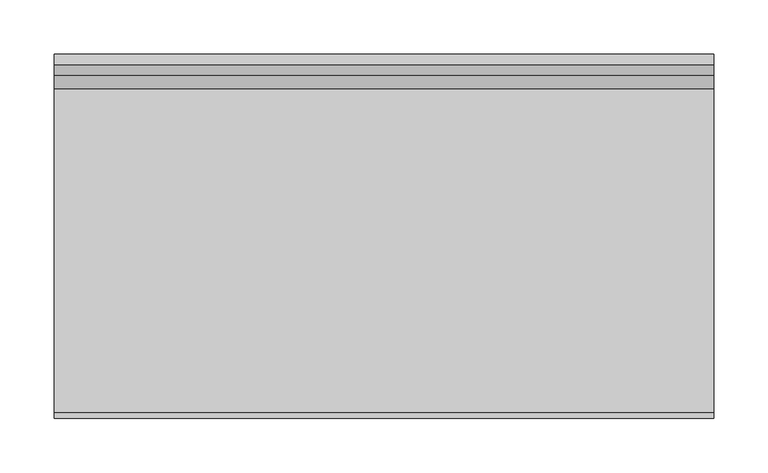
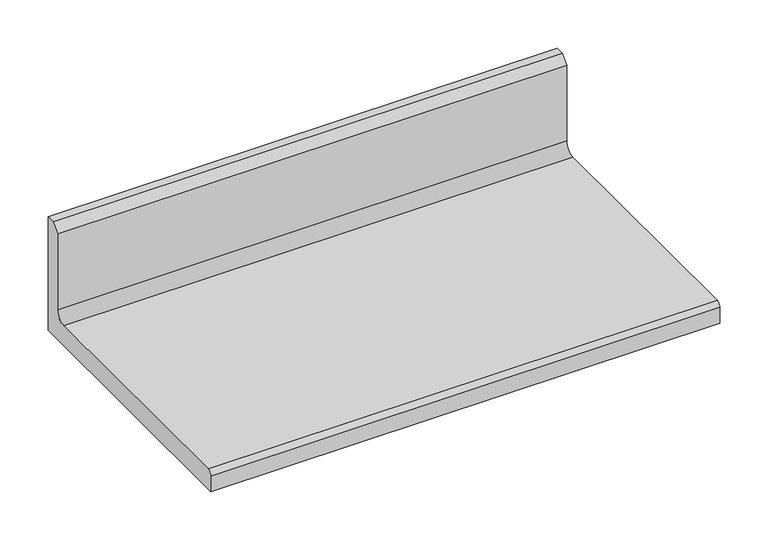
"""IFC4 building model written with IfcOpenShell, lengths in millimetres: furniture geometry."""

from ifc_helpers import new_model, si_unit, point, frame, frame_2d, origin, place, context, project, spatial, polyline, circle_curve, trimmed, segment, composite_curve, outline, extrude, source, transform, mapped, element, save


def furniture_d60de501(model_context):
    return source(origin(), model_context, "Body", "SweptSolid", [
        extrude(outline(composite_curve([segment(polyline([(168.529, 1106.298016), (168.529, 962.666096), (-168.529, 962.666096), (-168.529, 982.478096)]), True, "CONTINUOUS"), segment(trimmed(circle_curve(frame_2d((-162.941, 982.478096)), 5.588), [point((-168.529, 982.478096))], [point((-162.941, 988.066096))], False, "CARTESIAN"), True, "CONTINUOUS"), segment(polyline([(-162.941, 988.066096), (136.271, 988.066096)]), True, "CONTINUOUS"), segment(trimmed(circle_curve(frame_2d((136.271, 1000.766096)), 12.7), [point((136.271, 988.066096))], [point((148.971, 1000.766096))], True, "CARTESIAN"), True, "CONTINUOUS"), segment(polyline([(148.971, 1000.766096), (148.971, 1096.773016), (158.496, 1106.298016), (168.529, 1106.298016)]), True, "CONTINUOUS")], self_intersect=False)), frame((-304.8, 0.0, 0.0), z_axis=(1.0, 0.0, 0.0), x_axis=(0.0, 1.0, 0.0)), (0.0, 0.0, 1.0), 609.6),
    ])


if __name__ == "__main__":
    model = new_model("IFC4")
    model_context = context("Model", 3, world=origin())
    ifc_project = project(units=[si_unit("LENGTHUNIT", "METRE", prefix="MILLI")], contexts=[model_context])
    site = spatial("IfcSite", under=ifc_project)
    building = spatial("IfcBuilding", under=site)
    placement = place(None, origin())
    furniture_shape = furniture_d60de501(model_context)
    element("IfcFurniture", 1, at=placement, inside=building, context=model_context, shape_type="MappedRepresentation", body=[
        mapped(furniture_shape, transform((0.0, 0.0, 0.0), x_axis=(1.0, 0.0, 0.0), y_axis=(0.0, 1.0, 0.0), z_axis=(0.0, 0.0, 1.0))),
    ])
    save(model, "model.ifc")
